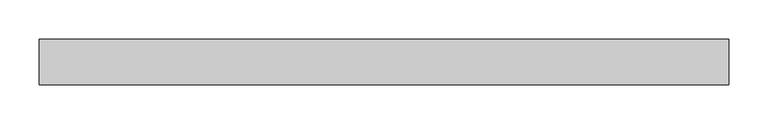
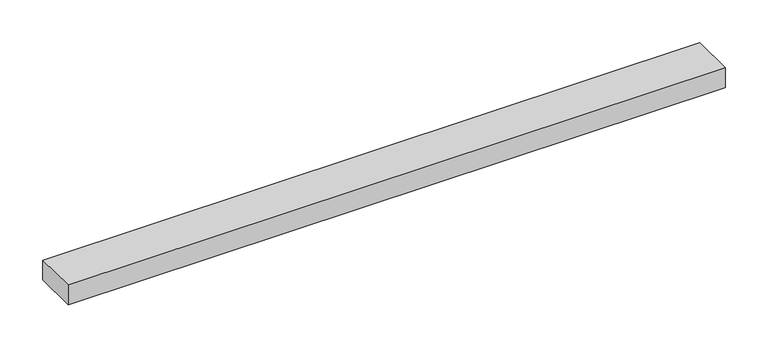
"""IFC4 building model written with IfcOpenShell, lengths in millimetres: proxy geometry."""

import ifcopenshell
import ifcopenshell.guid

model = None  # the IFC model being written
_history = None  # IfcOwnerHistory: only IFC2X3 demands one
_inside = {}  # id of a spatial element -> (the spatial element, [elements in it])
_under = {}  # id of a project, library or spatial element -> (it, [spatial elements below it])
_declared = {}  # id of a project -> (the project, [libraries it declares])
_typed = {}  # id of a type object -> (the type object, [elements of that type])
_made_of = {}  # id of a material, layer set ... -> (it, [elements and type objects made of it])


def new_model(schema):
    """Start an empty IFC model of exactly this schema.

    Asked for "IFC4X3", IfcOpenShell would pick the latest addendum, in which some entities
    have other attributes; the version numbers below select the first issue.
    IFC2X3 requires an IfcOwnerHistory on every rooted entity: one is made here for all.
    """
    global model, _history
    if schema == "IFC4X3":
        model = ifcopenshell.file(schema_version=(4, 3, 0, 0))
    else:
        model = ifcopenshell.file(schema=schema)
    _inside.clear()
    _under.clear()
    _declared.clear()
    _typed.clear()
    _made_of.clear()
    _history = None
    if model.schema == "IFC2X3":
        org = make("IfcOrganization", Name="unknown")
        user = make(
            "IfcPersonAndOrganization",
            ThePerson=make("IfcPerson", FamilyName="unknown"),
            TheOrganization=org,
        )
        app = make(
            "IfcApplication",
            ApplicationDeveloper=org,
            Version="unknown",
            ApplicationFullName="unknown",
            ApplicationIdentifier="unknown",
        )
        _history = make(
            "IfcOwnerHistory",
            OwningUser=user,
            OwningApplication=app,
            ChangeAction="ADDED",
            CreationDate=0,
        )
    return model


def make(cls, **values):
    """One entity of the class cls with the attributes given. An attribute that is None is left unset."""
    return model.create_entity(
        cls, **{name: value for name, value in values.items() if value is not None}
    )


def rooted(cls, **values):
    """An entity with a GlobalId (a new one), such as an element, a storey or a relation."""
    return make(cls, GlobalId=ifcopenshell.guid.new(), OwnerHistory=_history, **values)


def si_unit(unit_type, name, prefix=None):
    """IfcSIUnit, for example si_unit("LENGTHUNIT", "METRE", prefix="MILLI")."""
    return make("IfcSIUnit", UnitType=unit_type, Prefix=prefix, Name=name)


def assignment(units):
    """IfcUnitAssignment: the units of a project."""
    return None if units is None else make("IfcUnitAssignment", Units=units)


def point(xyz):
    """IfcCartesianPoint."""
    return None if xyz is None else make("IfcCartesianPoint", Coordinates=xyz)


def direction(xyz):
    """IfcDirection."""
    return None if xyz is None else make("IfcDirection", DirectionRatios=xyz)


def frame(location, z_axis=None, x_axis=None):
    """IfcAxis2Placement3D, a coordinate frame: its origin and axes. An axis left out is left unset."""
    return make(
        "IfcAxis2Placement3D",
        Location=point(location),
        Axis=direction(z_axis),
        RefDirection=direction(x_axis),
    )


def origin():
    """The frame at (0, 0, 0) with its axes left unset."""
    return frame((0.0, 0.0, 0.0))


def place(relative_to, where):
    """IfcLocalPlacement: puts the frame where relative to a parent placement (None: the world)."""
    return make(
        "IfcLocalPlacement", PlacementRelTo=relative_to, RelativePlacement=where
    )


def context(
    kind, dimensions, precision=None, world=None, true_north=None, identifier=None
):
    """IfcGeometricRepresentationContext, for example the 3D "Model" context."""
    return make(
        "IfcGeometricRepresentationContext",
        ContextIdentifier=identifier,
        ContextType=kind,
        CoordinateSpaceDimension=dimensions,
        Precision=precision,
        WorldCoordinateSystem=world,
        TrueNorth=true_north,
    )


def project(units=None, contexts=None):
    """IfcProject with its units and contexts."""
    return rooted(
        "IfcProject",
        Name="project",
        RepresentationContexts=contexts,
        UnitsInContext=assignment(units),
    )


def spatial(cls, under=None, at=None, **own):
    """A site, building, storey or space (cls), placed at a placement, below another one or the project."""
    s = rooted(cls, ObjectPlacement=at, **own)
    if under is not None:
        _under.setdefault(under.id(), (under, []))[1].append(s)
    return s


def polyline(points):
    """IfcPolyline through the points."""
    return make("IfcPolyline", Points=[point(p) for p in points])


def outline(outer, holes=None, kind="AREA"):
    """IfcArbitraryClosedProfileDef: a profile drawn as a closed curve; with holes, ...WithVoids."""
    if holes is None:
        return make("IfcArbitraryClosedProfileDef", ProfileType=kind, OuterCurve=outer)
    return make(
        "IfcArbitraryProfileDefWithVoids",
        ProfileType=kind,
        OuterCurve=outer,
        InnerCurves=holes,
    )


def extrude(swept, where, along, depth):
    """IfcExtrudedAreaSolid: the profile swept, set in the frame where, extruded along a direction by depth."""
    return make(
        "IfcExtrudedAreaSolid",
        SweptArea=swept,
        Position=where,
        ExtrudedDirection=direction(along),
        Depth=depth,
    )


def shape(context_of_items, identifier, shape_type, items):
    """IfcShapeRepresentation: the items that make up one representation, for example the "Body"."""
    return make(
        "IfcShapeRepresentation",
        ContextOfItems=context_of_items,
        RepresentationIdentifier=identifier,
        RepresentationType=shape_type,
        Items=items,
    )


def source(mapping_origin, context_of_items, identifier, shape_type, items):
    """IfcRepresentationMap: a shape defined once, which mapped items show again and again."""
    return make(
        "IfcRepresentationMap",
        MappingOrigin=mapping_origin,
        MappedRepresentation=shape(context_of_items, identifier, shape_type, items),
    )


def transform(
    local_origin,
    x_axis=None,
    y_axis=None,
    z_axis=None,
    scale=None,
    scale2=None,
    scale3=None,
    uniform=True,
):
    """IfcCartesianTransformationOperator3D, or its non-uniform kind. x_axis, y_axis, z_axis: its Axis1, 2, 3."""
    if uniform:
        return make(
            "IfcCartesianTransformationOperator3D",
            Axis1=direction(x_axis),
            Axis2=direction(y_axis),
            LocalOrigin=point(local_origin),
            Scale=scale,
            Axis3=direction(z_axis),
        )
    return make(
        "IfcCartesianTransformationOperator3DnonUniform",
        Axis1=direction(x_axis),
        Axis2=direction(y_axis),
        LocalOrigin=point(local_origin),
        Scale=scale,
        Axis3=direction(z_axis),
        Scale2=scale2,
        Scale3=scale3,
    )


def mapped(mapping_source, mapping_target):
    """IfcMappedItem: shows the shape of a source again, moved by a transform."""
    return make(
        "IfcMappedItem", MappingSource=mapping_source, MappingTarget=mapping_target
    )


def made_of(thing, what):
    """Note that an element or type object is made of a material, layer set ...; save() writes the relation."""
    if what is not None:
        _made_of.setdefault(what.id(), (what, []))[1].append(thing)
    return thing


def element(
    cls,
    number,
    at=None,
    inside=None,
    cuts=None,
    type_object=None,
    material=None,
    context=None,
    identifier="Body",
    shape_type=None,
    held_by="IfcProductDefinitionShape",
    body=None,
    shapes=None,
    **own,
):
    """One element of the class cls, such as IfcWall. Its Tag is "e" and its number.

    at: its placement. inside: the storey or other place that contains it. cuts: it is an
    opening in that element (IfcRelVoidsElement). A single representation is given by context,
    identifier, shape_type and body (its items); several are given by shapes. held_by: the class
    of the entity that holds the representations. save() writes the other relations.
    """
    e = rooted(cls, Tag="e%d" % number, ObjectPlacement=at, **own)
    if body is not None:
        shapes = [shape(context, identifier, shape_type, body)]
    if shapes is not None:
        e.Representation = make(held_by, Representations=shapes)
    if inside is not None:
        _inside.setdefault(inside.id(), (inside, []))[1].append(e)
    if cuts is not None:
        rooted(
            "IfcRelVoidsElement", RelatingBuildingElement=cuts, RelatedOpeningElement=e
        )
    if type_object is not None:
        _typed.setdefault(type_object.id(), (type_object, []))[1].append(e)
    return made_of(e, material)


def aggregate(whole, parts):
    """IfcRelAggregates: a whole, such as a stair, and the parts it consists of."""
    return rooted("IfcRelAggregates", RelatingObject=whole, RelatedObjects=parts)


def save(model, path):
    """Write the relations noted so far, then the file.

    IfcRelAggregates (storeys below a building ...), IfcRelContainedInSpatialStructure (elements
    in a storey), IfcRelDefinesByType, IfcRelAssociatesMaterial and IfcRelDeclares: one each for
    every whole, place, type object, material and project.
    """
    for whole, parts in _under.values():
        aggregate(whole, parts)
    for where, things in _inside.values():
        rooted(
            "IfcRelContainedInSpatialStructure",
            RelatedElements=things,
            RelatingStructure=where,
        )
    for kind, things in _typed.values():
        rooted("IfcRelDefinesByType", RelatedObjects=things, RelatingType=kind)
    for what, things in _made_of.values():
        rooted("IfcRelAssociatesMaterial", RelatedObjects=things, RelatingMaterial=what)
    for by, libraries in _declared.values():
        rooted("IfcRelDeclares", RelatingContext=by, RelatedDefinitions=libraries)
    model.write(path)


def specialty_equipment_0fe3f8d1(model_context):
    return source(origin(), model_context, "Body", "SweptSolid", [
        extrude(outline(polyline([(-441.6008998, 29.2199219), (441.6008998, 29.2199219), (441.6008998, -29.2199219), (-441.6008998, -29.2199219), (-441.6008998, 29.2199219)])), frame((0.0, 0.0, -13.9898438), z_axis=(0.0, 0.0, 1.0), x_axis=(1.0, 0.0, 0.0)), (0.0, 0.0, 1.0), 27.9796875),
    ])


if __name__ == "__main__":
    model = new_model("IFC4")
    model_context = context("Model", 3, world=origin())
    ifc_project = project(units=[si_unit("LENGTHUNIT", "METRE", prefix="MILLI")], contexts=[model_context])
    site = spatial("IfcSite", under=ifc_project)
    building = spatial("IfcBuilding", under=site)
    placement = place(None, origin())
    specialty_equipment_shape = specialty_equipment_0fe3f8d1(model_context)
    element("IfcBuildingElementProxy", 1, Name="Specialty Equipment", at=placement, inside=building, context=model_context, shape_type="MappedRepresentation", body=[
        mapped(specialty_equipment_shape, transform((0.0, 0.0, 0.0), x_axis=(1.0, 0.0, 0.0), y_axis=(0.0, 1.0, 0.0), z_axis=(0.0, 0.0, 1.0))),
    ])
    save(model, "model.ifc")
